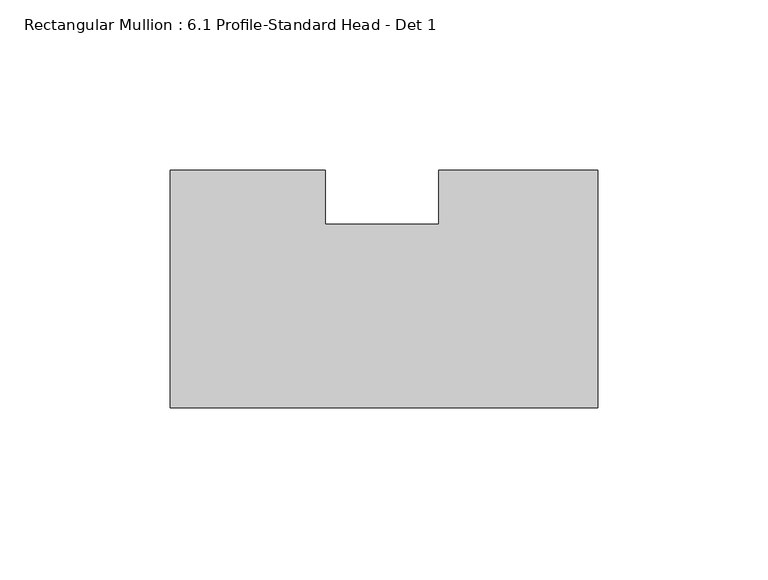
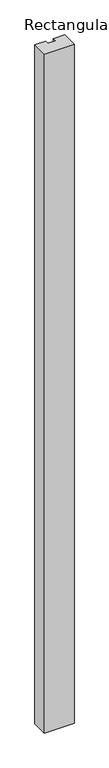
"""IFC4 building model written with IfcOpenShell, lengths in millimetres: member geometry, Rectangular Mullion : 6.1 Profile-Standard Head - Det 1."""

from ifc_helpers import new_model, si_unit, frame, origin, place, context, project, spatial, polyline, outline, extrude, source, transform, mapped, element, save


def rectangular_mullion_6_1_profile_standard_head_det_1_2d7785eb(model_context):
    return source(origin(), model_context, "Body", "SweptSolid", [
        extrude(outline(polyline([(0.0, -34.925), (-125.7808, -34.925), (-125.7808, 34.925), (-80.2091346, 34.925), (-80.2091346, 19.05), (-46.8497888, 19.05), (-46.8497888, 34.925), (0.0, 34.925), (0.0, -34.925)])), frame((0.0, 0.0, -3048.0), z_axis=(0.0, 0.0, 1.0), x_axis=(1.0, 0.0, 0.0)), (0.0, 0.0, 1.0), 3048.0),
    ])


if __name__ == "__main__":
    model = new_model("IFC4")
    model_context = context("Model", 3, world=origin())
    ifc_project = project(units=[si_unit("LENGTHUNIT", "METRE", prefix="MILLI")], contexts=[model_context])
    site = spatial("IfcSite", under=ifc_project)
    building = spatial("IfcBuilding", under=site)
    placement = place(None, origin())
    rectangular_mullion_6_1_profile_standard_head_det_1_shape = rectangular_mullion_6_1_profile_standard_head_det_1_2d7785eb(model_context)
    element("IfcMember", 1, ObjectType="Rectangular Mullion : 6.1 Profile-Standard Head - Det 1", at=placement, inside=building, context=model_context, shape_type="MappedRepresentation", body=[
        mapped(rectangular_mullion_6_1_profile_standard_head_det_1_shape, transform((0.0, 0.0, 0.0), x_axis=(1.0, 0.0, 0.0), y_axis=(0.0, 1.0, 0.0), z_axis=(0.0, 0.0, 1.0))),
    ])
    save(model, "model.ifc")
